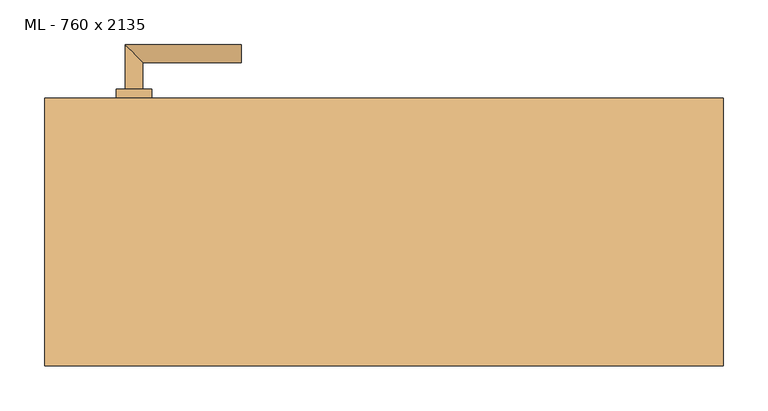
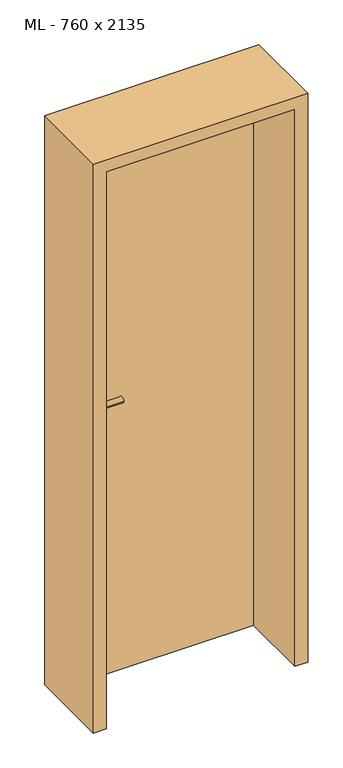
"""IFC4 building model written with IfcOpenShell, lengths in millimetres: door geometry, ML - 760 x 2135."""

import ifcopenshell
import ifcopenshell.guid

model = None  # the IFC model being written
_history = None  # IfcOwnerHistory: only IFC2X3 demands one
_inside = {}  # id of a spatial element -> (the spatial element, [elements in it])
_under = {}  # id of a project, library or spatial element -> (it, [spatial elements below it])
_declared = {}  # id of a project -> (the project, [libraries it declares])
_typed = {}  # id of a type object -> (the type object, [elements of that type])
_made_of = {}  # id of a material, layer set ... -> (it, [elements and type objects made of it])


def new_model(schema):
    """Start an empty IFC model of exactly this schema.

    Asked for "IFC4X3", IfcOpenShell would pick the latest addendum, in which some entities
    have other attributes; the version numbers below select the first issue.
    IFC2X3 requires an IfcOwnerHistory on every rooted entity: one is made here for all.
    """
    global model, _history
    if schema == "IFC4X3":
        model = ifcopenshell.file(schema_version=(4, 3, 0, 0))
    else:
        model = ifcopenshell.file(schema=schema)
    _inside.clear()
    _under.clear()
    _declared.clear()
    _typed.clear()
    _made_of.clear()
    _history = None
    if model.schema == "IFC2X3":
        org = make("IfcOrganization", Name="unknown")
        user = make(
            "IfcPersonAndOrganization",
            ThePerson=make("IfcPerson", FamilyName="unknown"),
            TheOrganization=org,
        )
        app = make(
            "IfcApplication",
            ApplicationDeveloper=org,
            Version="unknown",
            ApplicationFullName="unknown",
            ApplicationIdentifier="unknown",
        )
        _history = make(
            "IfcOwnerHistory",
            OwningUser=user,
            OwningApplication=app,
            ChangeAction="ADDED",
            CreationDate=0,
        )
    return model


def make(cls, **values):
    """One entity of the class cls with the attributes given. An attribute that is None is left unset."""
    return model.create_entity(
        cls, **{name: value for name, value in values.items() if value is not None}
    )


def rooted(cls, **values):
    """An entity with a GlobalId (a new one), such as an element, a storey or a relation."""
    return make(cls, GlobalId=ifcopenshell.guid.new(), OwnerHistory=_history, **values)


def si_unit(unit_type, name, prefix=None):
    """IfcSIUnit, for example si_unit("LENGTHUNIT", "METRE", prefix="MILLI")."""
    return make("IfcSIUnit", UnitType=unit_type, Prefix=prefix, Name=name)


def assignment(units):
    """IfcUnitAssignment: the units of a project."""
    return None if units is None else make("IfcUnitAssignment", Units=units)


def point(xyz):
    """IfcCartesianPoint."""
    return None if xyz is None else make("IfcCartesianPoint", Coordinates=xyz)


def direction(xyz):
    """IfcDirection."""
    return None if xyz is None else make("IfcDirection", DirectionRatios=xyz)


def frame(location, z_axis=None, x_axis=None):
    """IfcAxis2Placement3D, a coordinate frame: its origin and axes. An axis left out is left unset."""
    return make(
        "IfcAxis2Placement3D",
        Location=point(location),
        Axis=direction(z_axis),
        RefDirection=direction(x_axis),
    )


def frame_2d(location, x_axis=None):
    """IfcAxis2Placement2D, a coordinate frame in the plane: its origin and x axis."""
    return make(
        "IfcAxis2Placement2D", Location=point(location), RefDirection=direction(x_axis)
    )


def origin():
    """The frame at (0, 0, 0) with its axes left unset."""
    return frame((0.0, 0.0, 0.0))


def origin_with_axes():
    """The frame at (0, 0, 0) with the z axis (0, 0, 1) and the x axis (1, 0, 0) written out."""
    return frame((0.0, 0.0, 0.0), z_axis=(0.0, 0.0, 1.0), x_axis=(1.0, 0.0, 0.0))


def place(relative_to, where):
    """IfcLocalPlacement: puts the frame where relative to a parent placement (None: the world)."""
    return make(
        "IfcLocalPlacement", PlacementRelTo=relative_to, RelativePlacement=where
    )


def context(
    kind, dimensions, precision=None, world=None, true_north=None, identifier=None
):
    """IfcGeometricRepresentationContext, for example the 3D "Model" context."""
    return make(
        "IfcGeometricRepresentationContext",
        ContextIdentifier=identifier,
        ContextType=kind,
        CoordinateSpaceDimension=dimensions,
        Precision=precision,
        WorldCoordinateSystem=world,
        TrueNorth=true_north,
    )


def project(units=None, contexts=None):
    """IfcProject with its units and contexts."""
    return rooted(
        "IfcProject",
        Name="project",
        RepresentationContexts=contexts,
        UnitsInContext=assignment(units),
    )


def spatial(cls, under=None, at=None, **own):
    """A site, building, storey or space (cls), placed at a placement, below another one or the project."""
    s = rooted(cls, ObjectPlacement=at, **own)
    if under is not None:
        _under.setdefault(under.id(), (under, []))[1].append(s)
    return s


def polyline(points):
    """IfcPolyline through the points."""
    return make("IfcPolyline", Points=[point(p) for p in points])


def circle_curve(where, radius):
    """IfcCircle in the frame where."""
    return make("IfcCircle", Position=where, Radius=radius)


def ellipse_curve(where, semi_axis1, semi_axis2):
    """IfcEllipse in the frame where."""
    return make(
        "IfcEllipse", Position=where, SemiAxis1=semi_axis1, SemiAxis2=semi_axis2
    )


def trimmed(basis, trim1, trim2, sense, master):
    """IfcTrimmedCurve: the piece of a basis curve between two trims."""
    return make(
        "IfcTrimmedCurve",
        BasisCurve=basis,
        Trim1=trim1,
        Trim2=trim2,
        SenseAgreement=sense,
        MasterRepresentation=master,
    )


def segment(curve, same_sense, transition):
    """IfcCompositeCurveSegment."""
    return make(
        "IfcCompositeCurveSegment",
        Transition=transition,
        SameSense=same_sense,
        ParentCurve=curve,
    )


def composite_curve(segments, self_intersect=None):
    """IfcCompositeCurve: segments joined end to end."""
    return make("IfcCompositeCurve", Segments=segments, SelfIntersect=self_intersect)


def outline(outer, holes=None, kind="AREA"):
    """IfcArbitraryClosedProfileDef: a profile drawn as a closed curve; with holes, ...WithVoids."""
    if holes is None:
        return make("IfcArbitraryClosedProfileDef", ProfileType=kind, OuterCurve=outer)
    return make(
        "IfcArbitraryProfileDefWithVoids",
        ProfileType=kind,
        OuterCurve=outer,
        InnerCurves=holes,
    )


def extrude(swept, where, along, depth):
    """IfcExtrudedAreaSolid: the profile swept, set in the frame where, extruded along a direction by depth."""
    return make(
        "IfcExtrudedAreaSolid",
        SweptArea=swept,
        Position=where,
        ExtrudedDirection=direction(along),
        Depth=depth,
    )


def faces_of(points, faces, orient=None, outer=None):
    """IfcFace entities. A face is a list of loops; a loop is a list of indices into points, from 0.

    orient and outer hold one flag for each loop. By default every Orientation is true, the
    first loop of a face is its IfcFaceOuterBound and the others are IfcFaceBound.
    """
    made = []
    for i, loops in enumerate(faces):
        bounds = []
        for j, loop in enumerate(loops):
            is_outer = j == 0 if outer is None else outer[i][j]
            bounds.append(
                make(
                    "IfcFaceOuterBound" if is_outer else "IfcFaceBound",
                    Bound=make("IfcPolyLoop", Polygon=[points[k] for k in loop]),
                    Orientation=True if orient is None else orient[i][j],
                )
            )
        made.append(make("IfcFace", Bounds=bounds))
    return made


def faceted_brep(points, faces, orient=None, outer=None, voids=None):
    """IfcFacetedBrep: a solid bounded by flat faces; with voids (closed shells), ...WithVoids."""
    shared = [point(p) for p in points]
    hull = make("IfcClosedShell", CfsFaces=faces_of(shared, faces, orient, outer))
    if voids is None:
        return make("IfcFacetedBrep", Outer=hull)
    return make(
        "IfcFacetedBrepWithVoids",
        Outer=hull,
        Voids=[
            make(cls, CfsFaces=faces_of(shared, fs, o, b)) for cls, fs, o, b in voids
        ],
    )


def shape(context_of_items, identifier, shape_type, items):
    """IfcShapeRepresentation: the items that make up one representation, for example the "Body"."""
    return make(
        "IfcShapeRepresentation",
        ContextOfItems=context_of_items,
        RepresentationIdentifier=identifier,
        RepresentationType=shape_type,
        Items=items,
    )


def source(mapping_origin, context_of_items, identifier, shape_type, items):
    """IfcRepresentationMap: a shape defined once, which mapped items show again and again."""
    return make(
        "IfcRepresentationMap",
        MappingOrigin=mapping_origin,
        MappedRepresentation=shape(context_of_items, identifier, shape_type, items),
    )


def transform(
    local_origin,
    x_axis=None,
    y_axis=None,
    z_axis=None,
    scale=None,
    scale2=None,
    scale3=None,
    uniform=True,
):
    """IfcCartesianTransformationOperator3D, or its non-uniform kind. x_axis, y_axis, z_axis: its Axis1, 2, 3."""
    if uniform:
        return make(
            "IfcCartesianTransformationOperator3D",
            Axis1=direction(x_axis),
            Axis2=direction(y_axis),
            LocalOrigin=point(local_origin),
            Scale=scale,
            Axis3=direction(z_axis),
        )
    return make(
        "IfcCartesianTransformationOperator3DnonUniform",
        Axis1=direction(x_axis),
        Axis2=direction(y_axis),
        LocalOrigin=point(local_origin),
        Scale=scale,
        Axis3=direction(z_axis),
        Scale2=scale2,
        Scale3=scale3,
    )


def mapped(mapping_source, mapping_target):
    """IfcMappedItem: shows the shape of a source again, moved by a transform."""
    return make(
        "IfcMappedItem", MappingSource=mapping_source, MappingTarget=mapping_target
    )


def made_of(thing, what):
    """Note that an element or type object is made of a material, layer set ...; save() writes the relation."""
    if what is not None:
        _made_of.setdefault(what.id(), (what, []))[1].append(thing)
    return thing


def element(
    cls,
    number,
    at=None,
    inside=None,
    cuts=None,
    type_object=None,
    material=None,
    context=None,
    identifier="Body",
    shape_type=None,
    held_by="IfcProductDefinitionShape",
    body=None,
    shapes=None,
    **own,
):
    """One element of the class cls, such as IfcWall. Its Tag is "e" and its number.

    at: its placement. inside: the storey or other place that contains it. cuts: it is an
    opening in that element (IfcRelVoidsElement). A single representation is given by context,
    identifier, shape_type and body (its items); several are given by shapes. held_by: the class
    of the entity that holds the representations. save() writes the other relations.
    """
    e = rooted(cls, Tag="e%d" % number, ObjectPlacement=at, **own)
    if body is not None:
        shapes = [shape(context, identifier, shape_type, body)]
    if shapes is not None:
        e.Representation = make(held_by, Representations=shapes)
    if inside is not None:
        _inside.setdefault(inside.id(), (inside, []))[1].append(e)
    if cuts is not None:
        rooted(
            "IfcRelVoidsElement", RelatingBuildingElement=cuts, RelatedOpeningElement=e
        )
    if type_object is not None:
        _typed.setdefault(type_object.id(), (type_object, []))[1].append(e)
    return made_of(e, material)


def aggregate(whole, parts):
    """IfcRelAggregates: a whole, such as a stair, and the parts it consists of."""
    return rooted("IfcRelAggregates", RelatingObject=whole, RelatedObjects=parts)


def save(model, path):
    """Write the relations noted so far, then the file.

    IfcRelAggregates (storeys below a building ...), IfcRelContainedInSpatialStructure (elements
    in a storey), IfcRelDefinesByType, IfcRelAssociatesMaterial and IfcRelDeclares: one each for
    every whole, place, type object, material and project.
    """
    for whole, parts in _under.values():
        aggregate(whole, parts)
    for where, things in _inside.values():
        rooted(
            "IfcRelContainedInSpatialStructure",
            RelatedElements=things,
            RelatingStructure=where,
        )
    for kind, things in _typed.values():
        rooted("IfcRelDefinesByType", RelatedObjects=things, RelatingType=kind)
    for what, things in _made_of.values():
        rooted("IfcRelAssociatesMaterial", RelatedObjects=things, RelatingMaterial=what)
    for by, libraries in _declared.values():
        rooted("IfcRelDeclares", RelatingContext=by, RelatedDefinitions=libraries)
    model.write(path)


def plane_surface(at):
    """IfcPlane: the flat surface through the origin of the frame at, square to its z axis."""
    return make("IfcPlane", Position=at)


def cylinder_surface(at, radius):
    """IfcCylindricalSurface: all points at the distance radius from the z axis of the frame at."""
    return make("IfcCylindricalSurface", Position=at, Radius=radius)


def advanced_brep(points, edges, surfaces, faces):
    """IfcAdvancedBrep: a solid bounded by faces that lie on surfaces and meet in shared edges.

    An edge is (start, end): straight between two places in points (the first is 0);
    or (start, end, curve); or (start, end, curve, False) where it runs against its curve.
    A face is (place in surfaces, loops), or (place, loops, False) where it looks against
    its surface's normal. A loop lists edges by number (the first is 1), with a minus sign
    where the edge is run from its end to its start. The first loop is the outer one.
    """
    corners = [point(p) for p in points]
    vertices = [make("IfcVertexPoint", VertexGeometry=c) for c in corners]
    made = []
    for start, end, *more in edges:
        made.append(
            make(
                "IfcEdgeCurve",
                EdgeStart=vertices[start],
                EdgeEnd=vertices[end],
                EdgeGeometry=more[0] if more else make("IfcPolyline", Points=[corners[start], corners[end]]),
                SameSense=more[1] if len(more) > 1 else True,
            )
        )
    hull = []
    for where, loops, *sense in faces:
        bounds = []
        for j, loop in enumerate(loops):
            ring = [make("IfcOrientedEdge", EdgeElement=made[abs(k) - 1], Orientation=k > 0) for k in loop]
            bounds.append(
                make(
                    "IfcFaceOuterBound" if j == 0 else "IfcFaceBound",
                    Bound=make("IfcEdgeLoop", EdgeList=ring),
                    Orientation=True,
                )
            )
        hull.append(make("IfcAdvancedFace", Bounds=bounds, FaceSurface=surfaces[where], SameSense=sense[0] if sense else True))
    return make("IfcAdvancedBrep", Outer=make("IfcClosedShell", CfsFaces=hull))


def ml_760_x_2135_edf784d6(model_context):
    return source(origin(), model_context, "Body", "SolidModel", [
        extrude(outline(polyline([(346.0, 150.0), (346.0, 105.0), (-346.0, 105.0), (-346.0, 150.0), (346.0, 150.0)])), origin_with_axes(), (0.0, 0.0, 1.0), 2101.0),
        advanced_brep(
        [(-270.0, 160.0, 1050.0), (-290.0, 160.0, 1050.0), (-270.0, 190.0, 1050.0), (-290.0, 210.0, 1050.0), (-160.0, 190.0, 1050.0), (-160.0, 210.0, 1050.0)],
        [
            (0, 1, circle_curve(frame((-280.0, 160.0, 1050.0), z_axis=(0.0, -1.0, 0.0), x_axis=(-1.0, 0.0, 0.0)), 10.0)),
            (1, 0, circle_curve(frame((-280.0, 160.0, 1050.0), z_axis=(0.0, -1.0, 0.0), x_axis=(-1.0, 0.0, 0.0)), 10.0)),
            (0, 2),
            (2, 3, ellipse_curve(frame((-280.0, 200.0, 1050.0), z_axis=(-0.7071067811865531, -0.7071067811865419, 0.0), x_axis=(0.707106781186542, -0.707106781186553, 0.0)), 14.1421356, 10.0)),
            (3, 1),
            (3, 2, ellipse_curve(frame((-280.0, 200.0, 1050.0), z_axis=(-0.7071067811865531, -0.7071067811865419, 0.0), x_axis=(0.707106781186542, -0.707106781186553, 0.0)), 14.1421356, 10.0)),
            (4, 5, circle_curve(frame((-160.0, 200.0, 1050.0), z_axis=(1.0, 0.0, 0.0), x_axis=(0.0, 1.0, 0.0)), 10.0)),
            (5, 4, circle_curve(frame((-160.0, 200.0, 1050.0), z_axis=(1.0, 0.0, 0.0), x_axis=(0.0, 1.0, 0.0)), 10.0)),
            (2, 4),
            (5, 3),
        ],
        [
            plane_surface(frame((-280.0, 160.0, 1050.0), z_axis=(0.0, -1.0, 0.0), x_axis=(0.0, 0.0, 1.0))),
            cylinder_surface(frame((-280.0, 160.0, 1050.0), z_axis=(0.0, -1.0, 0.0), x_axis=(-1.0, 0.0, 0.0)), 10.0),
            plane_surface(frame((-160.0, 200.0, 1050.0), z_axis=(1.0, 0.0, 0.0), x_axis=(0.0, 0.0, 1.0))),
            cylinder_surface(frame((-280.0, 200.0, 1050.0), z_axis=(-1.0, 0.0, 0.0), x_axis=(0.0, 1.0, 0.0)), 10.0),
        ],
        [
            (0, [[1, 2]]),
            (1, [[-1, 3, 4, 5]]),
            (1, [[-2, -5, 6, -3]]),
            (2, [[7, 8]]),
            (3, [[-4, 9, -8, 10]]),
            (3, [[-6, -10, -7, -9]]),
        ],
    ),
        extrude(outline(composite_curve([segment(trimmed(circle_curve(frame_2d((990.0, -280.0)), 20.0), [point((990.0, -300.0))], [point((990.0, -260.0))], False, "CARTESIAN"), True, "CONTINUOUS"), segment(trimmed(circle_curve(frame_2d((990.0, -280.0)), 20.0), [point((990.0, -260.0))], [point((990.0, -300.0))], False, "CARTESIAN"), True, "CONTINUOUS")], self_intersect=False), holes=[composite_curve([segment(polyline([(976.4601385, -282.397268), (988.4749012, -282.397268)]), True, "CONTINUOUS"), segment(trimmed(circle_curve(frame_2d((995.0361633, -280.0)), 6.9854888), [point((988.4749012, -282.397268))], [point((988.4749012, -277.602732))], True, "CARTESIAN"), True, "CONTINUOUS"), segment(polyline([(988.4749012, -277.602732), (976.4601385, -277.602732)]), True, "CONTINUOUS"), segment(trimmed(circle_curve(frame_2d((976.4601385, -280.0)), 2.397268), [point((976.4601385, -277.602732))], [point((976.4601385, -282.397268))], True, "CARTESIAN"), True, "CONTINUOUS")], self_intersect=False)]), frame((0.0, 150.0, 0.0), z_axis=(0.0, 1.0, 0.0), x_axis=(0.0, 0.0, 1.0)), (0.0, 0.0, 1.0), 10.0),
        advanced_brep(
        [(-270.0, 160.0, 1050.0), (-290.0, 160.0, 1050.0), (-270.0, 190.0, 1050.0), (-290.0, 210.0, 1050.0), (-160.0, 190.0, 1050.0), (-160.0, 210.0, 1050.0)],
        [
            (0, 1, circle_curve(frame((-280.0, 160.0, 1050.0), z_axis=(0.0, -1.0, 0.0), x_axis=(-1.0, 0.0, 0.0)), 10.0)),
            (1, 0, circle_curve(frame((-280.0, 160.0, 1050.0), z_axis=(0.0, -1.0, 0.0), x_axis=(-1.0, 0.0, 0.0)), 10.0)),
            (0, 2),
            (2, 3, ellipse_curve(frame((-280.0, 200.0, 1050.0), z_axis=(-0.7071067811865537, -0.7071067811865414, 0.0), x_axis=(0.7071067811865414, -0.7071067811865536, 0.0)), 14.1421356, 10.0)),
            (3, 1),
            (3, 2, ellipse_curve(frame((-280.0, 200.0, 1050.0), z_axis=(-0.7071067811865537, -0.7071067811865414, 0.0), x_axis=(0.7071067811865414, -0.7071067811865536, 0.0)), 14.1421356, 10.0)),
            (4, 5, circle_curve(frame((-160.0, 200.0, 1050.0), z_axis=(1.0, 0.0, 0.0), x_axis=(0.0, 1.0, 0.0)), 10.0)),
            (5, 4, circle_curve(frame((-160.0, 200.0, 1050.0), z_axis=(1.0, 0.0, 0.0), x_axis=(0.0, 1.0, 0.0)), 10.0)),
            (2, 4),
            (5, 3),
        ],
        [
            plane_surface(frame((-280.0, 160.0, 1050.0), z_axis=(0.0, -1.0, 0.0), x_axis=(0.0, 0.0, 1.0))),
            cylinder_surface(frame((-280.0, 160.0, 1050.0), z_axis=(0.0, -1.0, 0.0), x_axis=(-1.0, 0.0, 0.0)), 10.0),
            plane_surface(frame((-160.0, 200.0, 1050.0), z_axis=(1.0, 0.0, 0.0), x_axis=(0.0, 0.0, 1.0))),
            cylinder_surface(frame((-280.0, 200.0, 1050.0), z_axis=(-1.0, 0.0, 0.0), x_axis=(0.0, 1.0, 0.0)), 10.0),
        ],
        [
            (0, [[1, 2]]),
            (1, [[-1, 3, 4, 5]]),
            (1, [[-2, -5, 6, -3]]),
            (2, [[7, 8]]),
            (3, [[-4, 9, -8, 10]]),
            (3, [[-6, -10, -7, -9]]),
        ],
    ),
        extrude(outline(composite_curve([segment(trimmed(circle_curve(frame_2d((1050.0, -280.0)), 20.0), [point((1050.0, -300.0))], [point((1050.0, -260.0))], False, "CARTESIAN"), True, "CONTINUOUS"), segment(trimmed(circle_curve(frame_2d((1050.0, -280.0)), 20.0), [point((1050.0, -260.0))], [point((1050.0, -300.0))], False, "CARTESIAN"), True, "CONTINUOUS")], self_intersect=False)), frame((0.0, 150.0, 0.0), z_axis=(0.0, 1.0, 0.0), x_axis=(0.0, 0.0, 1.0)), (0.0, 0.0, 1.0), 10.0),
        advanced_brep(
        [(-270.0, 95.0, 1050.0), (-290.0, 95.0, 1050.0), (-290.0, 45.0, 1050.0), (-270.0, 65.0, 1050.0), (-160.0, 65.0, 1050.0), (-160.0, 45.0, 1050.0)],
        [
            (0, 1, circle_curve(frame((-280.0, 95.0, 1050.0), z_axis=(0.0, 1.0, 0.0), x_axis=(-1.0, 0.0, 0.0)), 10.0)),
            (1, 0, circle_curve(frame((-280.0, 95.0, 1050.0), z_axis=(0.0, 1.0, 0.0), x_axis=(-1.0, 0.0, 0.0)), 10.0)),
            (1, 2),
            (2, 3, ellipse_curve(frame((-280.0, 55.0, 1050.0), z_axis=(-0.7071067811865486, 0.7071067811865464, 0.0), x_axis=(0.7071067811865464, 0.7071067811865488, 0.0)), 14.1421356, 10.0)),
            (3, 0),
            (3, 2, ellipse_curve(frame((-280.0, 55.0, 1050.0), z_axis=(-0.7071067811865486, 0.7071067811865464, 0.0), x_axis=(0.7071067811865464, 0.7071067811865488, 0.0)), 14.1421356, 10.0)),
            (4, 5, circle_curve(frame((-160.0, 55.0, 1050.0), z_axis=(1.0, 0.0, 0.0), x_axis=(0.0, -1.0, 0.0)), 10.0)),
            (5, 4, circle_curve(frame((-160.0, 55.0, 1050.0), z_axis=(1.0, 0.0, 0.0), x_axis=(0.0, -1.0, 0.0)), 10.0)),
            (2, 5),
            (4, 3),
        ],
        [
            plane_surface(frame((-280.0, 95.0, 1050.0), z_axis=(0.0, 1.0, 0.0), x_axis=(0.0, 0.0, 1.0))),
            cylinder_surface(frame((-280.0, 95.0, 1050.0), z_axis=(0.0, 1.0, 0.0), x_axis=(-1.0, 0.0, 0.0)), 10.0),
            plane_surface(frame((-160.0, 55.0, 1050.0), z_axis=(1.0, 0.0, 0.0), x_axis=(0.0, 0.0, 1.0))),
            cylinder_surface(frame((-280.0, 55.0, 1050.0), z_axis=(-1.0, 0.0, 0.0), x_axis=(0.0, -1.0, 0.0)), 10.0),
        ],
        [
            (0, [[1, 2]]),
            (1, [[3, 4, 5, -2]]),
            (1, [[-5, 6, -3, -1]]),
            (2, [[7, 8]]),
            (3, [[9, -7, 10, -4]]),
            (3, [[-10, -8, -9, -6]]),
        ],
    ),
        extrude(outline(composite_curve([segment(trimmed(circle_curve(frame_2d((990.0, -280.0)), 20.0), [point((990.0, -300.0))], [point((990.0, -260.0))], False, "CARTESIAN"), True, "CONTINUOUS"), segment(trimmed(circle_curve(frame_2d((990.0, -280.0)), 20.0), [point((990.0, -260.0))], [point((990.0, -300.0))], False, "CARTESIAN"), True, "CONTINUOUS")], self_intersect=False), holes=[composite_curve([segment(polyline([(976.4601385, -282.397268), (988.4749012, -282.397268)]), True, "CONTINUOUS"), segment(trimmed(circle_curve(frame_2d((995.0361633, -280.0)), 6.9854888), [point((988.4749012, -282.397268))], [point((988.4749012, -277.602732))], True, "CARTESIAN"), True, "CONTINUOUS"), segment(polyline([(988.4749012, -277.602732), (976.4601385, -277.602732)]), True, "CONTINUOUS"), segment(trimmed(circle_curve(frame_2d((976.4601385, -280.0)), 2.397268), [point((976.4601385, -277.602732))], [point((976.4601385, -282.397268))], True, "CARTESIAN"), True, "CONTINUOUS")], self_intersect=False)]), frame((0.0, 95.0, 0.0), z_axis=(0.0, 1.0, 0.0), x_axis=(0.0, 0.0, 1.0)), (0.0, 0.0, 1.0), 10.0),
        advanced_brep(
        [(-270.0, 95.0, 1050.0), (-290.0, 95.0, 1050.0), (-290.0, 45.0, 1050.0), (-270.0, 65.0, 1050.0), (-160.0, 65.0, 1050.0), (-160.0, 45.0, 1050.0)],
        [
            (0, 1, circle_curve(frame((-280.0, 95.0, 1050.0), z_axis=(0.0, 1.0, 0.0), x_axis=(-1.0, 0.0, 0.0)), 10.0)),
            (1, 0, circle_curve(frame((-280.0, 95.0, 1050.0), z_axis=(0.0, 1.0, 0.0), x_axis=(-1.0, 0.0, 0.0)), 10.0)),
            (1, 2),
            (2, 3, ellipse_curve(frame((-280.0, 55.0, 1050.0), z_axis=(-0.7071067811865491, 0.7071067811865459, 0.0), x_axis=(0.7071067811865458, 0.7071067811865492, 0.0)), 14.1421356, 10.0)),
            (3, 0),
            (3, 2, ellipse_curve(frame((-280.0, 55.0, 1050.0), z_axis=(-0.7071067811865491, 0.7071067811865459, 0.0), x_axis=(0.7071067811865458, 0.7071067811865492, 0.0)), 14.1421356, 10.0)),
            (4, 5, circle_curve(frame((-160.0, 55.0, 1050.0), z_axis=(1.0, 0.0, 0.0), x_axis=(0.0, -1.0, 0.0)), 10.0)),
            (5, 4, circle_curve(frame((-160.0, 55.0, 1050.0), z_axis=(1.0, 0.0, 0.0), x_axis=(0.0, -1.0, 0.0)), 10.0)),
            (2, 5),
            (4, 3),
        ],
        [
            plane_surface(frame((-280.0, 95.0, 1050.0), z_axis=(0.0, 1.0, 0.0), x_axis=(0.0, 0.0, 1.0))),
            cylinder_surface(frame((-280.0, 95.0, 1050.0), z_axis=(0.0, 1.0, 0.0), x_axis=(-1.0, 0.0, 0.0)), 10.0),
            plane_surface(frame((-160.0, 55.0, 1050.0), z_axis=(1.0, 0.0, 0.0), x_axis=(0.0, 0.0, 1.0))),
            cylinder_surface(frame((-280.0, 55.0, 1050.0), z_axis=(-1.0, 0.0, 0.0), x_axis=(0.0, -1.0, 0.0)), 10.0),
        ],
        [
            (0, [[1, 2]]),
            (1, [[3, 4, 5, -2]]),
            (1, [[-5, 6, -3, -1]]),
            (2, [[7, 8]]),
            (3, [[9, -7, 10, -4]]),
            (3, [[-10, -8, -9, -6]]),
        ],
    ),
        extrude(outline(composite_curve([segment(trimmed(circle_curve(frame_2d((1050.0, -280.0)), 20.0), [point((1050.0, -300.0))], [point((1050.0, -260.0))], False, "CARTESIAN"), True, "CONTINUOUS"), segment(trimmed(circle_curve(frame_2d((1050.0, -280.0)), 20.0), [point((1050.0, -260.0))], [point((1050.0, -300.0))], False, "CARTESIAN"), True, "CONTINUOUS")], self_intersect=False)), frame((0.0, 95.0, 0.0), z_axis=(0.0, 1.0, 0.0), x_axis=(0.0, 0.0, 1.0)), (0.0, 0.0, 1.0), 10.0),
        faceted_brep([(-350.0, 150.0, 0.0), (-350.0, 105.0, 0.0), (-335.0, 105.0, 0.0), (-335.0, -150.0, 0.0), (-380.0, -150.0, 0.0), (-380.0, 150.0, 0.0), (-350.0, 150.0, 2105.0), (-350.0, 105.0, 2105.0), (350.0, 105.0, 2105.0), (350.0, 105.0, 0.0), (335.0, 105.0, 0.0), (335.0, 105.0, 2090.0), (-335.0, 105.0, 2090.0), (-335.0, -150.0, 2090.0), (335.0, -150.0, 2090.0), (335.0, -150.0, 0.0), (380.0, -150.0, 0.0), (380.0, -150.0, 2135.0), (-380.0, -150.0, 2135.0), (-380.0, 150.0, 2135.0), (380.0, 150.0, 2135.0), (380.0, 150.0, 0.0), (350.0, 150.0, 0.0), (350.0, 150.0, 2105.0)], [[[0, 1, 2, 3, 4, 5]], [[1, 0, 6, 7]], [[2, 1, 7, 8, 9, 10, 11, 12]], [[3, 2, 12, 13]], [[4, 3, 13, 14, 15, 16, 17, 18]], [[5, 4, 18, 19]], [[0, 5, 19, 20, 21, 22, 23, 6]], [[20, 17, 16, 21]], [[22, 21, 16, 15, 10, 9]], [[8, 23, 22, 9]], [[14, 11, 10, 15]], [[19, 18, 17, 20]], [[13, 12, 11, 14]], [[7, 6, 23, 8]]]),
    ])


if __name__ == "__main__":
    model = new_model("IFC4")
    model_context = context("Model", 3, world=origin())
    ifc_project = project(units=[si_unit("LENGTHUNIT", "METRE", prefix="MILLI")], contexts=[model_context])
    site = spatial("IfcSite", under=ifc_project)
    building = spatial("IfcBuilding", under=site)
    placement = place(None, origin())
    ml_760_x_2135_shape = ml_760_x_2135_edf784d6(model_context)
    element("IfcDoor", 1, ObjectType="ML - 760 x 2135", at=placement, inside=building, context=model_context, shape_type="MappedRepresentation", body=[
        mapped(ml_760_x_2135_shape, transform((0.0, 0.0, 0.0), x_axis=(1.0, 0.0, 0.0), y_axis=(0.0, 1.0, 0.0), z_axis=(0.0, 0.0, 1.0))),
    ])
    save(model, "model.ifc")
